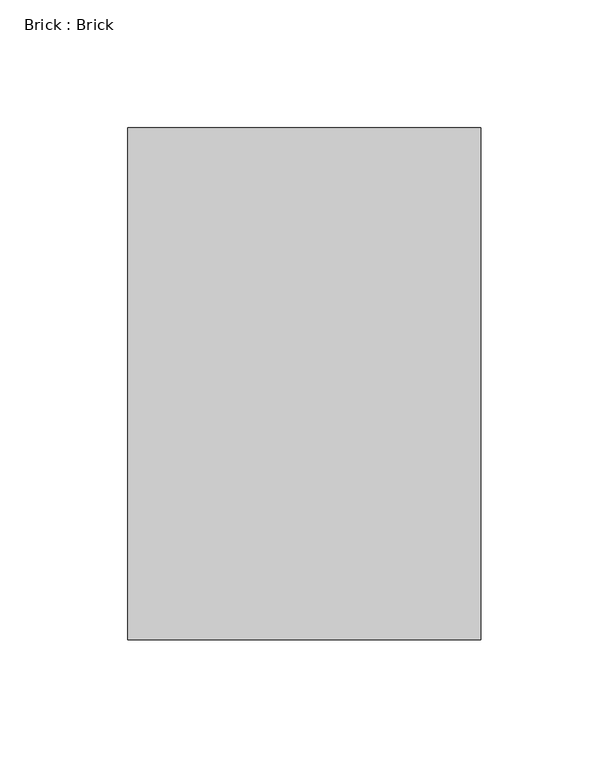
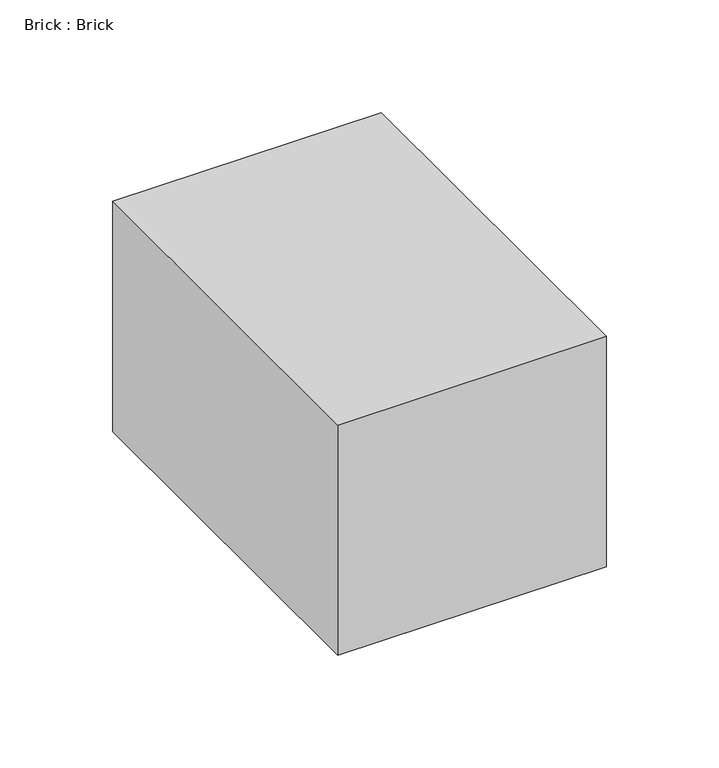
"""IFC4 building model written with IfcOpenShell, lengths in millimetres: proxy geometry, Brick : Brick."""

from ifc_helpers import new_model, si_unit, frame, origin, place, context, project, spatial, polyline, outline, extrude, source, transform, mapped, element, save


def brick_brick_e667c28f(model_context):
    return source(origin(), model_context, "Body", "SweptSolid", [
        extrude(outline(polyline([(68.9, 100.0), (68.9, -100.0), (-68.9, -100.0), (-68.9, 100.0), (68.9, 100.0)])), frame((0.0, 0.0, -62.5), z_axis=(0.0, 0.0, 1.0), x_axis=(1.0, 0.0, 0.0)), (0.0, 0.0, 1.0), 125.0),
    ])


if __name__ == "__main__":
    model = new_model("IFC4")
    model_context = context("Model", 3, world=origin())
    ifc_project = project(units=[si_unit("LENGTHUNIT", "METRE", prefix="MILLI")], contexts=[model_context])
    site = spatial("IfcSite", under=ifc_project)
    building = spatial("IfcBuilding", under=site)
    placement = place(None, origin())
    brick_brick_shape = brick_brick_e667c28f(model_context)
    element("IfcBuildingElementProxy", 1, Name="Brick : Brick", ObjectType="Brick : Brick", at=placement, inside=building, context=model_context, shape_type="MappedRepresentation", body=[
        mapped(brick_brick_shape, transform((0.0, 0.0, 0.0), x_axis=(1.0, 0.0, 0.0), y_axis=(0.0, 1.0, 0.0), z_axis=(0.0, 0.0, 1.0))),
    ])
    save(model, "model.ifc")
